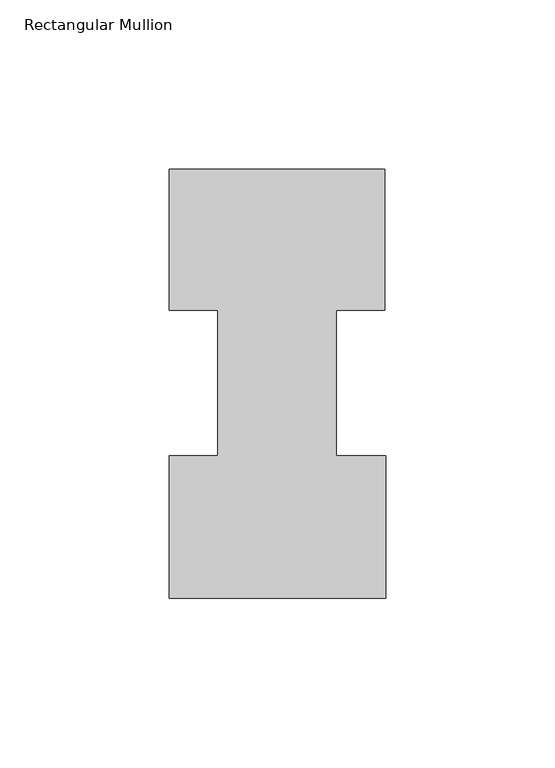
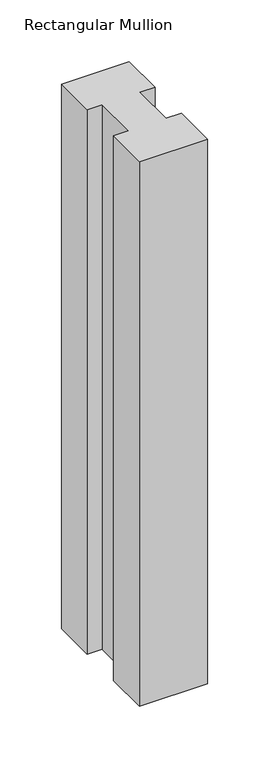
"""IFC4 building model written with IfcOpenShell, lengths in millimetres: member geometry, Rectangular Mullion."""

from ifc_helpers import new_model, si_unit, frame, origin, place, context, project, spatial, polyline, outline, extrude, source, transform, mapped, element, save


def rectangular_mullion_c2e1cb94(model_context):
    return source(origin(), model_context, "Body", "SweptSolid", [
        extrude(outline(polyline([(-49.21504, 85.1296875), (-63.5, 85.1296875), (-63.5, 126.7349164), (0.0, 126.7349164), (0.0, 85.1296875), (-14.2748, 85.1296875), (-14.2748, 42.2799164), (0.2408142, 42.2799164), (0.2408142, 0.2429164), (-63.5, 0.2429164), (-63.5, 42.2799164), (-49.21504, 42.2799164), (-49.21504, 85.1296875)])), frame((0.0, 0.0, -539.75), z_axis=(0.0, 0.0, 1.0), x_axis=(1.0, 0.0, 0.0)), (0.0, 0.0, 1.0), 539.75),
    ])


if __name__ == "__main__":
    model = new_model("IFC4")
    model_context = context("Model", 3, world=origin())
    ifc_project = project(units=[si_unit("LENGTHUNIT", "METRE", prefix="MILLI")], contexts=[model_context])
    site = spatial("IfcSite", under=ifc_project)
    building = spatial("IfcBuilding", under=site)
    placement = place(None, origin())
    rectangular_mullion_shape = rectangular_mullion_c2e1cb94(model_context)
    element("IfcMember", 1, ObjectType="Rectangular Mullion", at=placement, inside=building, context=model_context, shape_type="MappedRepresentation", body=[
        mapped(rectangular_mullion_shape, transform((0.0, 0.0, 0.0), x_axis=(1.0, 0.0, 0.0), y_axis=(0.0, 1.0, 0.0), z_axis=(0.0, 0.0, 1.0))),
    ])
    save(model, "model.ifc")
